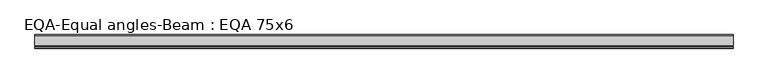
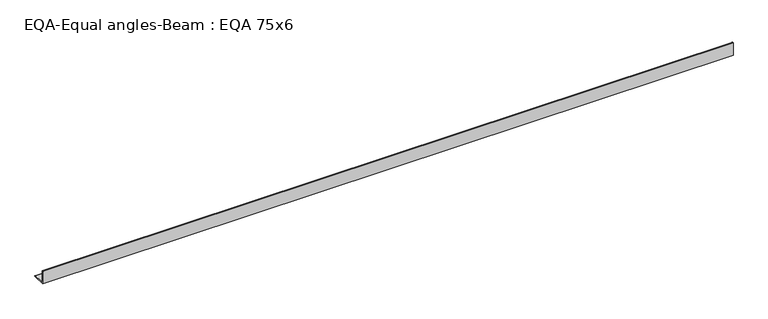
"""IFC4 building model written with IfcOpenShell, lengths in millimetres: beam geometry, EQA-Equal angles-Beam : EQA 75x6."""

from ifc_helpers import new_model, si_unit, point, frame, frame_2d, origin, place, context, project, spatial, polyline, circle_curve, trimmed, segment, composite_curve, outline, extrude, source, transform, mapped, element, save


def eqa_equal_angles_beam_eqa_75x6_108eda8c(model_context):
    return source(origin(), model_context, "Body", "SweptSolid", [
        extrude(outline(composite_curve([segment(polyline([(-20.5, -20.5), (-20.5, 54.5), (-19.0, 54.5)]), True, "CONTINUOUS"), segment(trimmed(circle_curve(frame_2d((-19.0, 50.0)), 4.5), [point((-19.0, 54.5))], [point((-14.5, 50.0))], False, "CARTESIAN"), True, "CONTINUOUS"), segment(polyline([(-14.5, 50.0), (-14.5, -5.5)]), True, "CONTINUOUS"), segment(trimmed(circle_curve(frame_2d((-5.5, -5.5)), 9.0), [point((-14.5, -5.5))], [point((-5.5, -14.5))], True, "CARTESIAN"), True, "CONTINUOUS"), segment(polyline([(-5.5, -14.5), (50.0, -14.5)]), True, "CONTINUOUS"), segment(trimmed(circle_curve(frame_2d((50.0, -19.0)), 4.5), [point((50.0, -14.5))], [point((54.5, -19.0))], False, "CARTESIAN"), True, "CONTINUOUS"), segment(polyline([(54.5, -19.0), (54.5, -20.5), (-20.5, -20.5)]), True, "CONTINUOUS")], self_intersect=False)), frame((-2011.2838199, 0.0, 0.0), z_axis=(1.0, 0.0, 0.0), x_axis=(0.0, 1.0, 0.0)), (0.0, 0.0, 1.0), 3851.0888094),
    ])


if __name__ == "__main__":
    model = new_model("IFC4")
    model_context = context("Model", 3, world=origin())
    ifc_project = project(units=[si_unit("LENGTHUNIT", "METRE", prefix="MILLI")], contexts=[model_context])
    site = spatial("IfcSite", under=ifc_project)
    building = spatial("IfcBuilding", under=site)
    placement = place(None, origin())
    eqa_equal_angles_beam_eqa_75x6_shape = eqa_equal_angles_beam_eqa_75x6_108eda8c(model_context)
    element("IfcBeam", 1, ObjectType="EQA-Equal angles-Beam : EQA 75x6", at=placement, inside=building, context=model_context, shape_type="MappedRepresentation", body=[
        mapped(eqa_equal_angles_beam_eqa_75x6_shape, transform((0.0, 0.0, 0.0), x_axis=(1.0, 0.0, 0.0), y_axis=(0.0, 1.0, 0.0), z_axis=(0.0, 0.0, 1.0))),
    ])
    save(model, "model.ifc")
